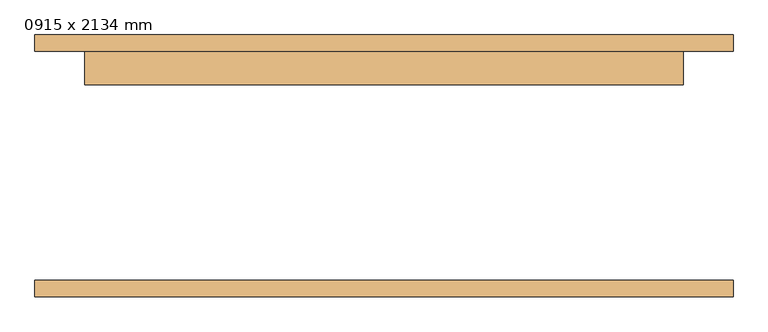
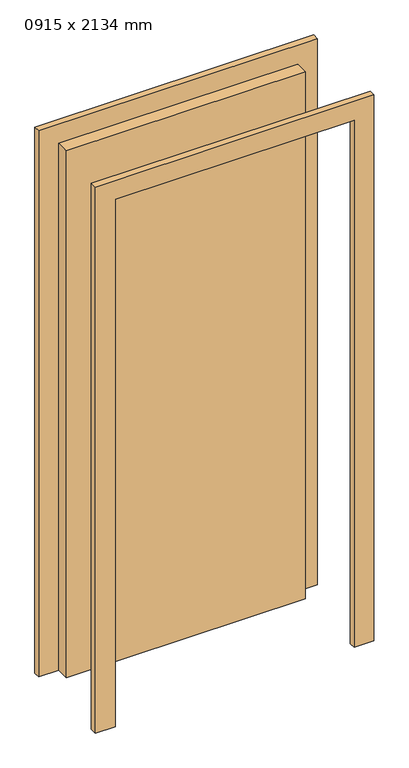
"""IFC4 building model written with IfcOpenShell, lengths in millimetres: door geometry, 0915 x 2134 mm."""

from ifc_helpers import new_model, si_unit, frame, origin, origin_with_axes, place, context, project, spatial, polyline, outline, extrude, source, transform, mapped, element, save


def door_0915_x_2134_mm_1eac8bb1(model_context):
    return source(origin(), model_context, "Body", "SweptSolid", [
        extrude(outline(polyline([(2210.0, -533.5), (0.0, -533.5), (0.0, -457.5), (2134.0, -457.5), (2134.0, 457.5), (0.0, 457.5), (0.0, 533.5), (2210.0, 533.5), (2210.0, -533.5)])), frame((0.0, 175.0, 0.0), z_axis=(0.0, 1.0, 0.0), x_axis=(0.0, 0.0, 1.0)), (0.0, 0.0, 1.0), 25.0),
        extrude(outline(polyline([(2210.0, 533.5), (2210.0, -533.5), (0.0, -533.5), (0.0, -457.5), (2134.0, -457.5), (2134.0, 457.5), (0.0, 457.5), (0.0, 533.5), (2210.0, 533.5)])), frame((0.0, -200.0, 0.0), z_axis=(0.0, 1.0, 0.0), x_axis=(0.0, 0.0, 1.0)), (0.0, 0.0, 1.0), 25.0),
        extrude(outline(polyline([(457.5, 124.0), (-457.5, 124.0), (-457.5, 175.0), (457.5, 175.0), (457.5, 124.0)])), origin_with_axes(), (0.0, 0.0, 1.0), 2134.0),
    ])


if __name__ == "__main__":
    model = new_model("IFC4")
    model_context = context("Model", 3, world=origin())
    ifc_project = project(units=[si_unit("LENGTHUNIT", "METRE", prefix="MILLI")], contexts=[model_context])
    site = spatial("IfcSite", under=ifc_project)
    building = spatial("IfcBuilding", under=site)
    placement = place(None, origin())
    door_0915_x_2134_mm_shape = door_0915_x_2134_mm_1eac8bb1(model_context)
    element("IfcDoor", 1, ObjectType="0915 x 2134 mm", at=placement, inside=building, context=model_context, shape_type="MappedRepresentation", body=[
        mapped(door_0915_x_2134_mm_shape, transform((0.0, 0.0, 0.0), x_axis=(1.0, 0.0, 0.0), y_axis=(0.0, 1.0, 0.0), z_axis=(0.0, 0.0, 1.0))),
    ])
    save(model, "model.ifc")
